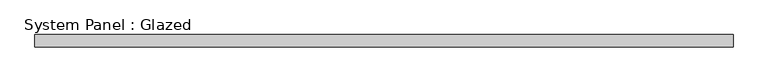
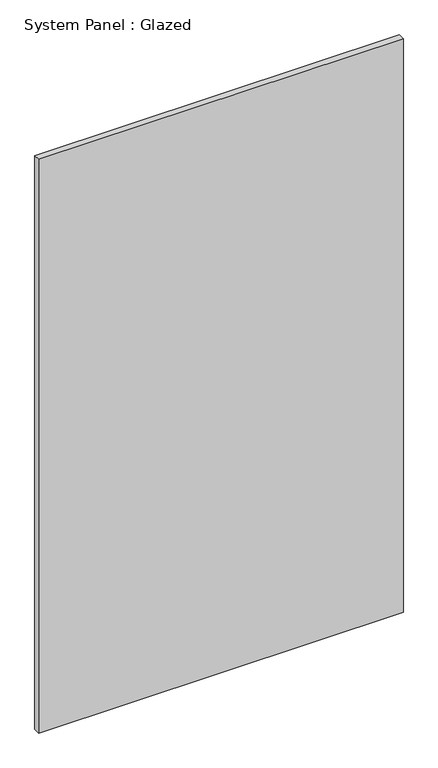
"""IFC4 building model written with IfcOpenShell, lengths in millimetres: plate geometry, System Panel : Glazed."""

from ifc_helpers import new_model, si_unit, origin, origin_with_axes, place, context, project, spatial, polyline, outline, extrude, source, transform, mapped, element, save


def system_panel_glazed_d462b3b3(model_context):
    return source(origin(), model_context, "Body", "SweptSolid", [
        extrude(outline(polyline([(714.375, 19.05), (-714.375, 19.05), (-714.375, 44.45), (714.375, 44.45), (714.375, 19.05)])), origin_with_axes(), (0.0, 0.0, 1.0), 2374.9),
    ])


if __name__ == "__main__":
    model = new_model("IFC4")
    model_context = context("Model", 3, world=origin())
    ifc_project = project(units=[si_unit("LENGTHUNIT", "METRE", prefix="MILLI")], contexts=[model_context])
    site = spatial("IfcSite", under=ifc_project)
    building = spatial("IfcBuilding", under=site)
    placement = place(None, origin())
    system_panel_glazed_shape = system_panel_glazed_d462b3b3(model_context)
    element("IfcPlate", 1, ObjectType="System Panel : Glazed", at=placement, inside=building, context=model_context, shape_type="MappedRepresentation", body=[
        mapped(system_panel_glazed_shape, transform((0.0, 0.0, 0.0), x_axis=(1.0, 0.0, 0.0), y_axis=(0.0, 1.0, 0.0), z_axis=(0.0, 0.0, 1.0))),
    ])
    save(model, "model.ifc")
